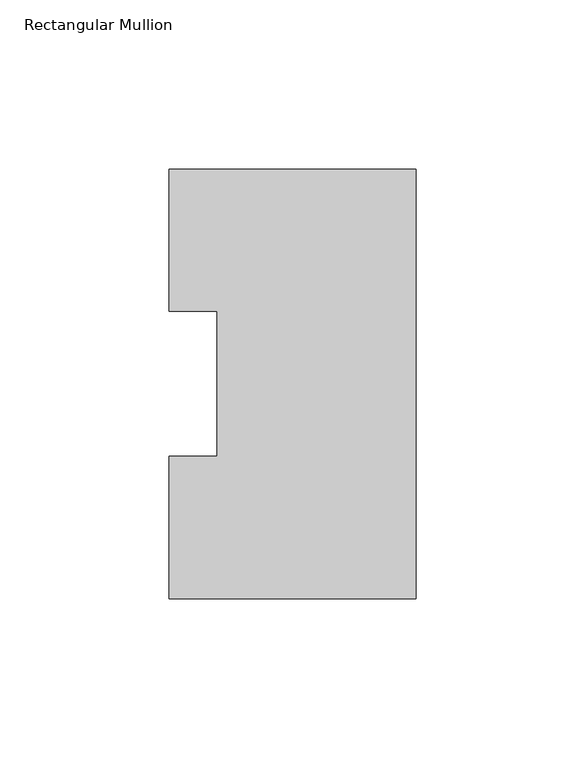
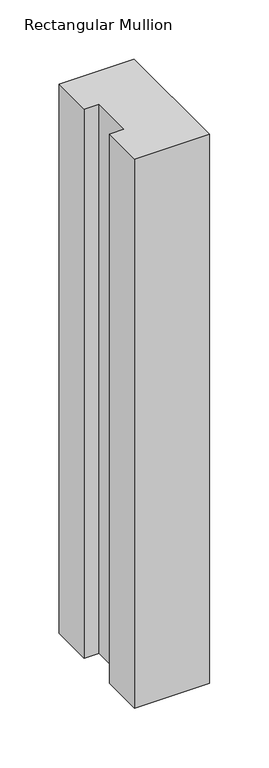
"""IFC4 building model written with IfcOpenShell, lengths in millimetres: member geometry, Rectangular Mullion."""

from ifc_helpers import new_model, si_unit, frame, origin, place, context, project, spatial, polyline, outline, extrude, source, transform, mapped, element, save


def rectangular_mullion_1c46c170(model_context):
    return source(origin(), model_context, "Body", "SweptSolid", [
        extrude(outline(polyline([(0.0, 127.00635), (0.0, 0.00635), (-73.025, 0.00635), (-73.025, 42.08145), (-58.7375, 42.08145), (-58.7375, 84.93125), (-73.025, 84.93125), (-73.025, 127.00635), (0.0, 127.00635)])), frame((0.0, 0.0, -565.1563826), z_axis=(0.0, 0.0, 1.0), x_axis=(1.0, 0.0, 0.0)), (0.0, 0.0, 1.0), 565.1563826),
    ])


if __name__ == "__main__":
    model = new_model("IFC4")
    model_context = context("Model", 3, world=origin())
    ifc_project = project(units=[si_unit("LENGTHUNIT", "METRE", prefix="MILLI")], contexts=[model_context])
    site = spatial("IfcSite", under=ifc_project)
    building = spatial("IfcBuilding", under=site)
    placement = place(None, origin())
    rectangular_mullion_shape = rectangular_mullion_1c46c170(model_context)
    element("IfcMember", 1, ObjectType="Rectangular Mullion", at=placement, inside=building, context=model_context, shape_type="MappedRepresentation", body=[
        mapped(rectangular_mullion_shape, transform((0.0, 0.0, 0.0), x_axis=(1.0, 0.0, 0.0), y_axis=(0.0, 1.0, 0.0), z_axis=(0.0, 0.0, 1.0))),
    ])
    save(model, "model.ifc")
